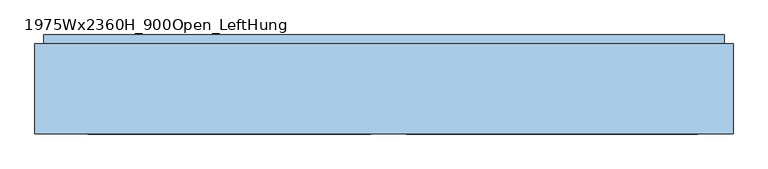
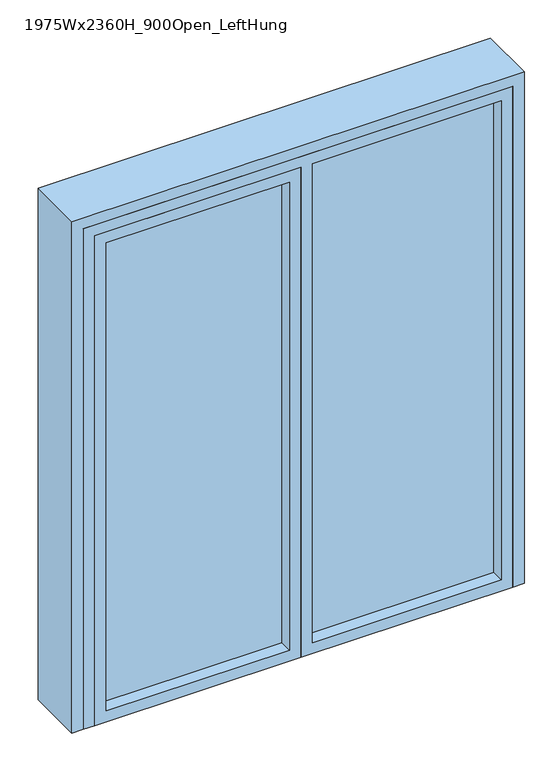
"""IFC4 building model written with IfcOpenShell, lengths in millimetres: window geometry, 1975Wx2360H_900Open_LeftHung."""

from ifc_helpers import new_model, si_unit, frame, origin, origin_with_axes, place, context, project, spatial, polyline, outline, extrude, faceted_brep, source, transform, mapped, element, save


def window_1975wx2360h_900open_lefthung_53db1a40(model_context):
    return source(origin(), model_context, "Body", "SolidModel", [
        extrude(outline(polyline([(887.5, 67.0), (887.5, 49.0), (62.5, 49.0), (62.5, 67.0), (887.5, 67.0)])), frame((0.0, 0.0, 50.0), z_axis=(0.0, 0.0, 1.0), x_axis=(1.0, 0.0, 0.0)), (0.0, 0.0, 1.0), 2210.0),
        extrude(outline(polyline([(-37.5, 67.0), (-37.5, 49.0), (-837.5, 49.0), (-837.5, 67.0), (-37.5, 67.0)])), frame((0.0, 0.0, 50.0), z_axis=(0.0, 0.0, 1.0), x_axis=(1.0, 0.0, 0.0)), (0.0, 0.0, 1.0), 2160.0),
        extrude(outline(polyline([(2260.0, 12.5), (2260.0, -887.5), (0.0, -887.5), (0.0, 12.5), (2260.0, 12.5)]), holes=[polyline([(2210.0, -37.5), (50.0, -37.5), (50.0, -837.5), (2210.0, -837.5), (2210.0, -37.5)])]), frame((0.0, -8.0, 0.0), z_axis=(0.0, 1.0, 0.0), x_axis=(0.0, 0.0, 1.0)), (0.0, 0.0, 1.0), 100.0),
        extrude(outline(polyline([(937.5, 92.0), (-937.5, 92.0), (-937.5, 272.0), (937.5, 272.0), (937.5, 92.0)])), origin_with_axes(), (0.0, 0.0, 1.0), 10.0),
        faceted_brep([(962.5, 272.0, 2335.0), (962.5, 247.0, 2335.0), (962.5, 247.0, 0.0), (962.5, 272.0, 0.0), (-987.5, 247.0, 2360.0), (987.5, 247.0, 2360.0), (987.5, 247.0, 0.0), (-962.5, 247.0, 2335.0), (-962.5, 247.0, 0.0), (-987.5, 247.0, 0.0), (987.5, -8.0, 0.0), (937.5, -8.0, 0.0), (937.5, 272.0, 0.0), (-937.5, 272.0, 0.0), (-937.5, -8.0, 0.0), (-987.5, -8.0, 0.0), (-962.5, 272.0, 0.0), (-962.5, 272.0, 2335.0), (937.5, 272.0, 2310.0), (-937.5, 272.0, 2310.0), (987.5, -8.0, 2360.0), (-987.5, -8.0, 2360.0), (937.5, -8.0, 2310.0), (-937.5, -8.0, 2310.0)], [[[0, 1, 2, 3]], [[4, 5, 6, 2, 1, 7, 8, 9]], [[3, 2, 6, 10, 11, 12]], [[13, 14, 15, 9, 8, 16]], [[17, 0, 3, 12, 18, 19, 13, 16]], [[8, 7, 17, 16]], [[20, 10, 6, 5]], [[4, 9, 15, 21]], [[12, 11, 22, 18]], [[14, 13, 19, 23]], [[20, 21, 15, 14, 23, 22, 11, 10]], [[1, 0, 17, 7]], [[20, 5, 4, 21]], [[19, 18, 22, 23]]]),
        extrude(outline(polyline([(0.0, 937.5), (2310.0, 937.5), (2310.0, -937.5), (0.0, -937.5), (0.0, -887.5), (2260.0, -887.5), (2260.0, 12.5), (0.0, 12.5), (0.0, 937.5)]), holes=[polyline([(50.0, 887.5), (50.0, 62.5), (2260.0, 62.5), (2260.0, 887.5), (50.0, 887.5)])]), frame((0.0, -8.0, 0.0), z_axis=(0.0, 1.0, 0.0), x_axis=(0.0, 0.0, 1.0)), (0.0, 0.0, 1.0), 100.0),
    ])


if __name__ == "__main__":
    model = new_model("IFC4")
    model_context = context("Model", 3, world=origin())
    ifc_project = project(units=[si_unit("LENGTHUNIT", "METRE", prefix="MILLI")], contexts=[model_context])
    site = spatial("IfcSite", under=ifc_project)
    building = spatial("IfcBuilding", under=site)
    placement = place(None, origin())
    window_1975wx2360h_900open_lefthung_shape = window_1975wx2360h_900open_lefthung_53db1a40(model_context)
    element("IfcWindow", 1, ObjectType="1975Wx2360H_900Open_LeftHung", at=placement, inside=building, context=model_context, shape_type="MappedRepresentation", body=[
        mapped(window_1975wx2360h_900open_lefthung_shape, transform((0.0, 0.0, 0.0), x_axis=(1.0, 0.0, 0.0), y_axis=(0.0, 1.0, 0.0), z_axis=(0.0, 0.0, 1.0))),
    ])
    save(model, "model.ifc")
